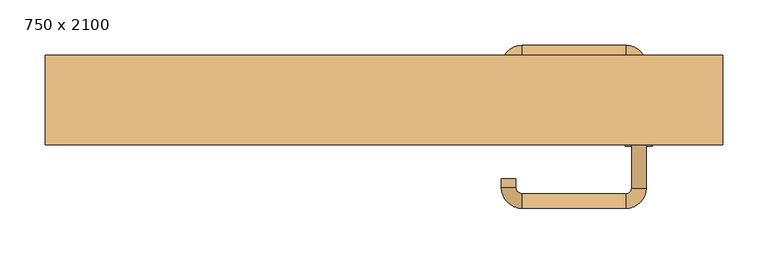
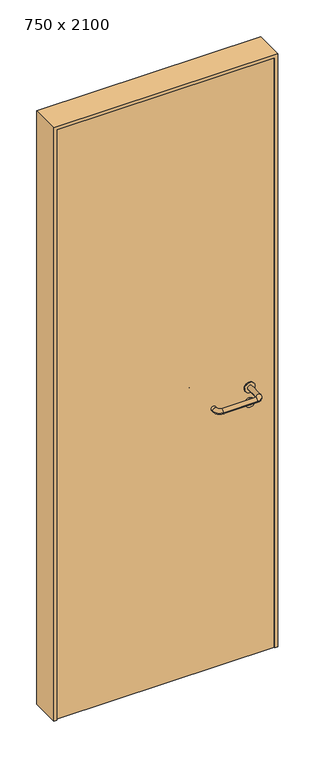
"""IFC4 building model written with IfcOpenShell, lengths in millimetres: door geometry, 750 x 2100."""

from ifc_helpers import new_model, si_unit, point, frame, frame_2d, origin, origin_with_axes, place, context, project, spatial, polyline, circle_curve, ellipse_curve, trimmed, segment, composite_curve, outline, extrude, source, transform, mapped, element, save
from ifc_brep_helpers import plane_surface, cylinder_surface, revolved_surface, advanced_brep


def door_750_x_2100_fa467f00(model_context):
    return source(origin(), model_context, "Body", "SolidModel", [
        extrude(outline(composite_curve([segment(trimmed(circle_curve(frame_2d((897.3605726, 282.0)), 15.0), [point((897.3605726, 297.0))], [point((897.3605726, 267.0))], False, "CARTESIAN"), True, "CONTINUOUS"), segment(trimmed(circle_curve(frame_2d((897.3605726, 282.0)), 15.0), [point((897.3605726, 267.0))], [point((897.3605726, 297.0))], False, "CARTESIAN"), True, "CONTINUOUS")], self_intersect=False), holes=[composite_curve([segment(trimmed(circle_curve(frame_2d((892.5833211, 281.9398032)), 2.0), [point((892.5833211, 283.9398032))], [point((892.5833211, 279.9398032))], True, "CARTESIAN"), True, "CONTINUOUS"), segment(polyline([(892.5833211, 279.9398032), (902.5833211, 279.9398032)]), True, "CONTINUOUS"), segment(trimmed(circle_curve(frame_2d((902.5833211, 281.9398032)), 2.0), [point((902.5833211, 279.9398032))], [point((902.5833211, 283.9398032))], True, "CARTESIAN"), True, "CONTINUOUS"), segment(polyline([(902.5833211, 283.9398032), (892.5833211, 283.9398032)]), True, "CONTINUOUS")], self_intersect=False)]), frame((0.0, -15.0, 0.0), z_axis=(0.0, 1.0, 0.0), x_axis=(0.0, 0.0, 1.0)), (0.0, 0.0, 1.0), 6.35),
        extrude(outline(composite_curve([segment(trimmed(circle_curve(frame_2d((950.0, 282.0)), 17.526), [point((950.0, 299.526))], [point((950.0, 264.474))], False, "CARTESIAN"), True, "CONTINUOUS"), segment(trimmed(circle_curve(frame_2d((950.0, 282.0)), 17.526), [point((950.0, 264.474))], [point((950.0, 299.526))], False, "CARTESIAN"), True, "CONTINUOUS")], self_intersect=False)), frame((0.0, -15.0, 0.0), z_axis=(0.0, 1.0, 0.0), x_axis=(0.0, 0.0, 1.0)), (0.0, 0.0, 1.0), 3.175),
        advanced_brep(
        [(290.0, -15.0, 950.0), (274.0, -15.0, 950.0), (290.0, 38.0, 950.0), (274.0, 38.0, 950.0), (267.8578644, 44.1421356, 950.0), (267.8578644, 60.1421356, 950.0), (152.8578644, 60.1421356, 950.0), (152.8578644, 44.1421356, 950.0), (146.008622, 37.2928932, 950.0), (130.008622, 37.2928932, 950.0), (130.008622, 27.2928932, 950.0), (146.008622, 27.2928932, 950.0)],
        [
            (0, 1, circle_curve(frame((282.0, -15.0, 950.0), z_axis=(0.0, -1.0, 0.0), x_axis=(-1.0, 0.0, 0.0)), 8.0)),
            (1, 0, circle_curve(frame((282.0, -15.0, 950.0), z_axis=(0.0, -1.0, 0.0), x_axis=(-1.0, 0.0, 0.0)), 8.0)),
            (0, 2),
            (2, 3, circle_curve(frame((282.0, 38.0, 950.0), z_axis=(0.0, -1.0, 0.0), x_axis=(-1.0, 0.0, 0.0)), 8.0)),
            (3, 1),
            (3, 2, circle_curve(frame((282.0, 38.0, 950.0), z_axis=(0.0, -1.0, 0.0), x_axis=(-1.0, 0.0, 0.0)), 8.0)),
            (4, 3, circle_curve(frame((267.8578644, 38.0, 950.0), z_axis=(0.0, 0.0, -1.0), x_axis=(1.0, 0.0, 0.0)), 6.1421356)),
            (2, 5, circle_curve(frame((267.8578644, 38.0, 950.0), z_axis=(0.0, 0.0, 1.0), x_axis=(1.0, 0.0, 0.0)), 22.1421356)),
            (5, 4, circle_curve(frame((267.8578644, 52.1421356, 950.0), z_axis=(1.0, 0.0, 0.0), x_axis=(0.0, -1.0, 0.0)), 8.0)),
            (4, 5, circle_curve(frame((267.8578644, 52.1421356, 950.0), z_axis=(1.0, 0.0, 0.0), x_axis=(0.0, -1.0, 0.0)), 8.0)),
            (5, 6),
            (6, 7, circle_curve(frame((152.8578644, 52.1421356, 950.0), z_axis=(1.0, 0.0, 0.0), x_axis=(0.0, -1.0, 0.0)), 8.0)),
            (7, 4),
            (7, 6, circle_curve(frame((152.8578644, 52.1421356, 950.0), z_axis=(1.0, 0.0, 0.0), x_axis=(0.0, -1.0, 0.0)), 8.0)),
            (8, 7, circle_curve(frame((152.8578644, 37.2928932, 950.0), z_axis=(0.0, 0.0, -1.0), x_axis=(0.0, 1.0, 0.0)), 6.8492424)),
            (6, 9, circle_curve(frame((152.8578644, 37.2928932, 950.0), z_axis=(0.0, 0.0, 1.0), x_axis=(0.0, 1.0, 0.0)), 22.8492424)),
            (9, 8, circle_curve(frame((138.008622, 37.2928932, 950.0), z_axis=(0.0, 1.0, 0.0), x_axis=(1.0, 0.0, 0.0)), 8.0)),
            (8, 9, circle_curve(frame((138.008622, 37.2928932, 950.0), z_axis=(0.0, 1.0, 0.0), x_axis=(1.0, 0.0, 0.0)), 8.0)),
            (10, 11, circle_curve(frame((138.008622, 27.2928932, 950.0), z_axis=(0.0, -1.0, 0.0), x_axis=(1.0, 0.0, 0.0)), 8.0)),
            (11, 10, circle_curve(frame((138.008622, 27.2928932, 950.0), z_axis=(0.0, -1.0, 0.0), x_axis=(1.0, 0.0, 0.0)), 8.0)),
            (9, 10),
            (11, 8),
        ],
        [
            plane_surface(frame((282.0, -15.0, 0.0), z_axis=(0.0, -1.0, 0.0), x_axis=(0.0, 0.0, 1.0))),
            cylinder_surface(frame((282.0, -15.0, 950.0), z_axis=(0.0, -1.0, 0.0), x_axis=(-1.0, 0.0, 0.0)), 8.0),
            revolved_surface(trimmed(ellipse_curve(frame((282.0, 38.0, 950.0), z_axis=(0.0, -1.0, 0.0), x_axis=(-1.0, 0.0, 0.0)), 8.0, 8.0), [point((290.0, 38.0, 950.0))], [point((274.0, 38.0, 950.0))], True, "CARTESIAN"), (267.8578644, 38.0, 0.0), (0.0, 0.0, 1.0)),
            revolved_surface(trimmed(ellipse_curve(frame((282.0, 38.0, 950.0), z_axis=(0.0, -1.0, 0.0), x_axis=(-1.0, 0.0, 0.0)), 8.0, 8.0), [point((274.0, 38.0, 950.0))], [point((290.0, 38.0, 950.0))], True, "CARTESIAN"), (267.8578644, 38.0, 0.0), (0.0, 0.0, 1.0)),
            cylinder_surface(frame((267.8578644, 52.1421356, 950.0), z_axis=(1.0, 0.0, 0.0), x_axis=(0.0, -1.0, 0.0)), 8.0),
            revolved_surface(trimmed(ellipse_curve(frame((152.8578644, 52.1421356, 950.0), z_axis=(1.0, 0.0, 0.0), x_axis=(0.0, -1.0, 0.0)), 8.0, 8.0), [point((152.8578644, 60.1421356, 950.0))], [point((152.8578644, 44.1421356, 950.0))], True, "CARTESIAN"), (152.8578644, 37.2928932, 0.0), (0.0, 0.0, 1.0)),
            revolved_surface(trimmed(ellipse_curve(frame((152.8578644, 52.1421356, 950.0), z_axis=(1.0, 0.0, 0.0), x_axis=(0.0, -1.0, 0.0)), 8.0, 8.0), [point((152.8578644, 44.1421356, 950.0))], [point((152.8578644, 60.1421356, 950.0))], True, "CARTESIAN"), (152.8578644, 37.2928932, 0.0), (0.0, 0.0, 1.0)),
            plane_surface(frame((138.008622, 27.2928932, 0.0), z_axis=(0.0, -1.0, 0.0), x_axis=(0.0, 0.0, 1.0))),
            cylinder_surface(frame((138.008622, 37.2928932, 950.0), z_axis=(0.0, 1.0, 0.0), x_axis=(1.0, 0.0, 0.0)), 8.0),
        ],
        [
            (0, [[1, 2]]),
            (1, [[-1, 3, 4, 5]]),
            (1, [[-2, -5, 6, -3]]),
            (2, [[7, -4, 8, 9]]),
            (3, [[-8, -6, -7, 10]]),
            (4, [[-9, 11, 12, 13]]),
            (4, [[-10, -13, 14, -11]]),
            (5, [[15, -12, 16, 17]]),
            (6, [[-16, -14, -15, 18]]),
            (7, [[19, 20]]),
            (8, [[-17, 21, -20, 22]]),
            (8, [[-18, -22, -19, -21]]),
        ],
    ),
        extrude(outline(composite_curve([segment(trimmed(circle_curve(frame_2d((0.0, 15.0)), 15.0), [point((0.0, 30.0))], [point((0.0, 0.0))], False, "CARTESIAN"), True, "CONTINUOUS"), segment(trimmed(circle_curve(frame_2d((0.0, 15.0)), 15.0), [point((0.0, 0.0))], [point((0.0, 30.0))], False, "CARTESIAN"), True, "CONTINUOUS")], self_intersect=False), holes=[composite_curve([segment(trimmed(circle_curve(frame_2d((-4.7772515, 14.9398032)), 2.0), [point((-4.7772515, 16.9398032))], [point((-4.7772515, 12.9398032))], True, "CARTESIAN"), True, "CONTINUOUS"), segment(polyline([(-4.7772515, 12.9398032), (5.2227485, 12.9398032)]), True, "CONTINUOUS"), segment(trimmed(circle_curve(frame_2d((5.2227485, 14.9398032)), 2.0), [point((5.2227485, 12.9398032))], [point((5.2227485, 16.9398032))], True, "CARTESIAN"), True, "CONTINUOUS"), segment(polyline([(5.2227485, 16.9398032), (-4.7772515, 16.9398032)]), True, "CONTINUOUS")], self_intersect=False)]), frame((267.0, -51.35, 897.3605726), z_axis=(-1.8870575173328306e-12, 1.0, 0.0), x_axis=(0.0, 0.0, 1.0)), (0.0, 0.0, 1.0), 6.35),
        extrude(outline(composite_curve([segment(trimmed(circle_curve(frame_2d((0.0, 17.526)), 17.526), [point((0.0, 35.052))], [point((0.0, 0.0))], False, "CARTESIAN"), True, "CONTINUOUS"), segment(trimmed(circle_curve(frame_2d((0.0, 17.526)), 17.526), [point((0.0, 0.0))], [point((0.0, 35.052))], False, "CARTESIAN"), True, "CONTINUOUS")], self_intersect=False)), frame((264.474, -48.175, 950.0), z_axis=(-1.8870575173328306e-12, 1.0, 0.0), x_axis=(0.0, 0.0, 1.0)), (0.0, 0.0, 1.0), 3.175),
        advanced_brep(
        [(290.0, -45.0, 950.0), (274.0, -45.0, 950.0), (274.0, -98.0, 950.0), (290.0, -98.0, 950.0), (267.8578644, -104.1421356, 950.0), (267.8578644, -120.1421356, 950.0), (152.8578644, -104.1421356, 950.0), (152.8578644, -120.1421356, 950.0), (146.008622, -97.2928932, 950.0), (130.008622, -97.2928932, 950.0), (130.008622, -87.2928932, 950.0), (146.008622, -87.2928932, 950.0)],
        [
            (0, 1, circle_curve(frame((282.0, -45.0, 950.0), z_axis=(-1.888672253512351e-12, 1.0, 0.0), x_axis=(-1.0, -1.888672253512351e-12, 0.0)), 8.0)),
            (1, 0, circle_curve(frame((282.0, -45.0, 950.0), z_axis=(-1.888672253512351e-12, 1.0, 0.0), x_axis=(-1.0, -1.888672253512351e-12, 0.0)), 8.0)),
            (1, 2),
            (2, 3, circle_curve(frame((282.0, -98.0, 950.0), z_axis=(-1.888672253512351e-12, 1.0, 0.0), x_axis=(-1.0, -1.888672253512351e-12, 0.0)), 8.0)),
            (3, 0),
            (3, 2, circle_curve(frame((282.0, -98.0, 950.0), z_axis=(-1.888672253512351e-12, 1.0, 0.0), x_axis=(-1.0, -1.888672253512351e-12, 0.0)), 8.0)),
            (4, 5, circle_curve(frame((267.8578644, -112.1421356, 950.0), z_axis=(1.0, 1.913702061528922e-12, 0.0), x_axis=(-1.913702061528922e-12, 1.0, 0.0)), 8.0)),
            (5, 3, circle_curve(frame((267.8578644, -98.0, 950.0), z_axis=(0.0, 0.0, 1.0), x_axis=(1.0, 1.880717803715015e-12, 0.0)), 22.1421356)),
            (2, 4, circle_curve(frame((267.8578644, -98.0, 950.0), z_axis=(0.0, 0.0, -1.0), x_axis=(1.0, 1.880717803715015e-12, 0.0)), 6.1421356)),
            (5, 4, circle_curve(frame((267.8578644, -112.1421356, 950.0), z_axis=(1.0, 1.913702061528922e-12, 0.0), x_axis=(-1.913702061528922e-12, 1.0, 0.0)), 8.0)),
            (4, 6),
            (6, 7, circle_curve(frame((152.8578644, -112.1421356, 950.0), z_axis=(1.0, 1.913719828541269e-12, 0.0), x_axis=(-1.913719828541269e-12, 1.0, 0.0)), 8.0)),
            (7, 5),
            (7, 6, circle_curve(frame((152.8578644, -112.1421356, 950.0), z_axis=(1.0, 1.913719828541269e-12, 0.0), x_axis=(-1.913719828541269e-12, 1.0, 0.0)), 8.0)),
            (8, 9, circle_curve(frame((138.008622, -97.2928932, 950.0), z_axis=(1.8888942981172756e-12, -1.0, 0.0), x_axis=(1.0, 1.8888942981172756e-12, 0.0)), 8.0)),
            (9, 7, circle_curve(frame((152.8578644, -97.2928932, 950.0), z_axis=(0.0, 0.0, 1.0), x_axis=(1.9120873253494017e-12, -1.0, 0.0)), 22.8492424)),
            (6, 8, circle_curve(frame((152.8578644, -97.2928932, 950.0), z_axis=(0.0, 0.0, -1.0), x_axis=(1.9120873253494017e-12, -1.0, 0.0)), 6.8492424)),
            (9, 8, circle_curve(frame((138.008622, -97.2928932, 950.0), z_axis=(1.890448610351751e-12, -1.0, 0.0), x_axis=(1.0, 1.890448610351751e-12, 0.0)), 8.0)),
            (10, 11, circle_curve(frame((138.008622, -87.2928932, 950.0), z_axis=(-1.8903642334018795e-12, 1.0, 0.0), x_axis=(1.0, 1.8903642334018795e-12, 0.0)), 8.0)),
            (11, 10, circle_curve(frame((138.008622, -87.2928932, 950.0), z_axis=(-1.8903642334018795e-12, 1.0, 0.0), x_axis=(1.0, 1.8903642334018795e-12, 0.0)), 8.0)),
            (8, 11),
            (10, 9),
        ],
        [
            plane_surface(frame((282.0, -45.0, 0.0), z_axis=(-1.8870575173328306e-12, 1.0, 0.0), x_axis=(0.0, 0.0, 1.0))),
            cylinder_surface(frame((282.0, -45.0, 950.0), z_axis=(-1.888672253512351e-12, 1.0, 0.0), x_axis=(-1.0, -1.888672253512351e-12, 0.0)), 8.0),
            revolved_surface(trimmed(ellipse_curve(frame((282.0, -98.0, 950.0), z_axis=(1.8823325398945356e-12, -1.0, 0.0), x_axis=(-1.0, -1.8823325398945356e-12, 0.0)), 8.0, 8.0), [point((290.0, -98.0, 950.0))], [point((274.0, -98.0, 950.0))], True, "CARTESIAN"), (267.8578644, -98.0, 0.0), (0.0, 0.0, 1.0)),
            revolved_surface(trimmed(ellipse_curve(frame((282.0, -98.0, 950.0), z_axis=(1.8823325398945356e-12, -1.0, 0.0), x_axis=(-1.0, -1.8823325398945356e-12, 0.0)), 8.0, 8.0), [point((274.0, -98.0, 950.0))], [point((290.0, -98.0, 950.0))], True, "CARTESIAN"), (267.8578644, -98.0, 0.0), (0.0, 0.0, 1.0)),
            cylinder_surface(frame((267.8578644, -112.1421356, 950.0), z_axis=(1.0, 1.913719828541269e-12, 0.0), x_axis=(-1.913719828541269e-12, 1.0, 0.0)), 8.0),
            revolved_surface(trimmed(ellipse_curve(frame((152.8578644, -112.1421356, 950.0), z_axis=(-1.0, -1.913702061528922e-12, 0.0), x_axis=(-1.913702061528922e-12, 1.0, 0.0)), 8.0, 8.0), [point((152.8578644, -120.1421356, 950.0))], [point((152.8578644, -104.1421356, 950.0))], True, "CARTESIAN"), (152.8578644, -97.2928932, 0.0), (0.0, 0.0, 1.0)),
            revolved_surface(trimmed(ellipse_curve(frame((152.8578644, -112.1421356, 950.0), z_axis=(-1.0, -1.913702061528922e-12, 0.0), x_axis=(-1.913702061528922e-12, 1.0, 0.0)), 8.0, 8.0), [point((152.8578644, -104.1421356, 950.0))], [point((152.8578644, -120.1421356, 950.0))], True, "CARTESIAN"), (152.8578644, -97.2928932, 0.0), (0.0, 0.0, 1.0)),
            plane_surface(frame((138.008622, -87.2928932, 0.0), z_axis=(-1.8887494972223595e-12, 1.0, 0.0), x_axis=(0.0, 0.0, 1.0))),
            cylinder_surface(frame((138.008622, -97.2928932, 950.0), z_axis=(1.8903642334018795e-12, -1.0, 0.0), x_axis=(1.0, 1.8903642334018795e-12, 0.0)), 8.0),
        ],
        [
            (0, [[1, 2]]),
            (1, [[3, 4, 5, -2]]),
            (1, [[-5, 6, -3, -1]]),
            (2, [[7, 8, -4, 9]]),
            (3, [[10, -9, -6, -8]]),
            (4, [[11, 12, 13, -7]]),
            (4, [[-13, 14, -11, -10]]),
            (5, [[15, 16, -12, 17]]),
            (6, [[18, -17, -14, -16]]),
            (7, [[19, 20]]),
            (8, [[21, -19, 22, -15]]),
            (8, [[-22, -20, -21, -18]]),
        ],
    ),
        extrude(outline(polyline([(2090.0, 365.0), (0.0, 365.0), (0.0, 375.0), (2100.0, 375.0), (2100.0, -375.0), (0.0, -375.0), (0.0, -365.0), (2090.0, -365.0), (2090.0, 365.0)])), frame((0.0, -50.0, 0.0), z_axis=(0.0, 1.0, 0.0), x_axis=(0.0, 0.0, 1.0)), (0.0, 0.0, 1.0), 99.0),
        extrude(outline(polyline([(-365.0, -45.0), (-365.0, -15.0), (365.0, -15.0), (365.0, -45.0), (-365.0, -45.0)])), origin_with_axes(), (0.0, 0.0, 1.0), 2090.0),
    ])


if __name__ == "__main__":
    model = new_model("IFC4")
    model_context = context("Model", 3, world=origin())
    ifc_project = project(units=[si_unit("LENGTHUNIT", "METRE", prefix="MILLI")], contexts=[model_context])
    site = spatial("IfcSite", under=ifc_project)
    building = spatial("IfcBuilding", under=site)
    placement = place(None, origin())
    door_750_x_2100_shape = door_750_x_2100_fa467f00(model_context)
    element("IfcDoor", 1, ObjectType="750 x 2100", at=placement, inside=building, context=model_context, shape_type="MappedRepresentation", body=[
        mapped(door_750_x_2100_shape, transform((0.0, 0.0, 0.0), x_axis=(1.0, 0.0, 0.0), y_axis=(0.0, 1.0, 0.0), z_axis=(0.0, 0.0, 1.0))),
    ])
    save(model, "model.ifc")
